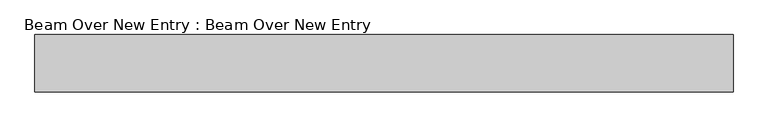
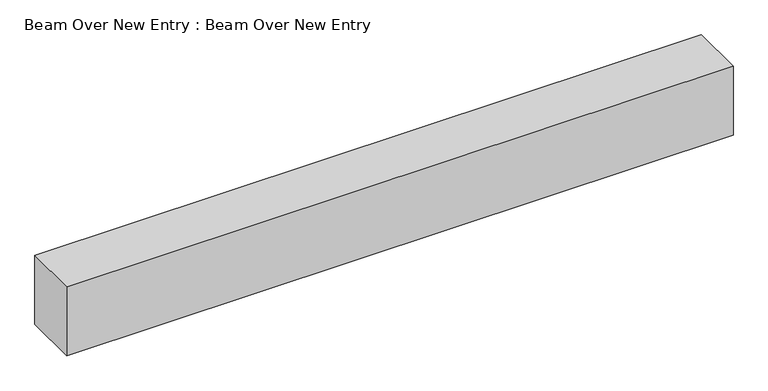
"""IFC4 building model written with IfcOpenShell, lengths in millimetres: proxy geometry, Beam Over New Entry : Beam Over New Entry."""

import ifcopenshell
import ifcopenshell.guid

model = None  # the IFC model being written
_history = None  # IfcOwnerHistory: only IFC2X3 demands one
_inside = {}  # id of a spatial element -> (the spatial element, [elements in it])
_under = {}  # id of a project, library or spatial element -> (it, [spatial elements below it])
_declared = {}  # id of a project -> (the project, [libraries it declares])
_typed = {}  # id of a type object -> (the type object, [elements of that type])
_made_of = {}  # id of a material, layer set ... -> (it, [elements and type objects made of it])


def new_model(schema):
    """Start an empty IFC model of exactly this schema.

    Asked for "IFC4X3", IfcOpenShell would pick the latest addendum, in which some entities
    have other attributes; the version numbers below select the first issue.
    IFC2X3 requires an IfcOwnerHistory on every rooted entity: one is made here for all.
    """
    global model, _history
    if schema == "IFC4X3":
        model = ifcopenshell.file(schema_version=(4, 3, 0, 0))
    else:
        model = ifcopenshell.file(schema=schema)
    _inside.clear()
    _under.clear()
    _declared.clear()
    _typed.clear()
    _made_of.clear()
    _history = None
    if model.schema == "IFC2X3":
        org = make("IfcOrganization", Name="unknown")
        user = make(
            "IfcPersonAndOrganization",
            ThePerson=make("IfcPerson", FamilyName="unknown"),
            TheOrganization=org,
        )
        app = make(
            "IfcApplication",
            ApplicationDeveloper=org,
            Version="unknown",
            ApplicationFullName="unknown",
            ApplicationIdentifier="unknown",
        )
        _history = make(
            "IfcOwnerHistory",
            OwningUser=user,
            OwningApplication=app,
            ChangeAction="ADDED",
            CreationDate=0,
        )
    return model


def make(cls, **values):
    """One entity of the class cls with the attributes given. An attribute that is None is left unset."""
    return model.create_entity(
        cls, **{name: value for name, value in values.items() if value is not None}
    )


def rooted(cls, **values):
    """An entity with a GlobalId (a new one), such as an element, a storey or a relation."""
    return make(cls, GlobalId=ifcopenshell.guid.new(), OwnerHistory=_history, **values)


def si_unit(unit_type, name, prefix=None):
    """IfcSIUnit, for example si_unit("LENGTHUNIT", "METRE", prefix="MILLI")."""
    return make("IfcSIUnit", UnitType=unit_type, Prefix=prefix, Name=name)


def assignment(units):
    """IfcUnitAssignment: the units of a project."""
    return None if units is None else make("IfcUnitAssignment", Units=units)


def point(xyz):
    """IfcCartesianPoint."""
    return None if xyz is None else make("IfcCartesianPoint", Coordinates=xyz)


def direction(xyz):
    """IfcDirection."""
    return None if xyz is None else make("IfcDirection", DirectionRatios=xyz)


def frame(location, z_axis=None, x_axis=None):
    """IfcAxis2Placement3D, a coordinate frame: its origin and axes. An axis left out is left unset."""
    return make(
        "IfcAxis2Placement3D",
        Location=point(location),
        Axis=direction(z_axis),
        RefDirection=direction(x_axis),
    )


def origin():
    """The frame at (0, 0, 0) with its axes left unset."""
    return frame((0.0, 0.0, 0.0))


def place(relative_to, where):
    """IfcLocalPlacement: puts the frame where relative to a parent placement (None: the world)."""
    return make(
        "IfcLocalPlacement", PlacementRelTo=relative_to, RelativePlacement=where
    )


def context(
    kind, dimensions, precision=None, world=None, true_north=None, identifier=None
):
    """IfcGeometricRepresentationContext, for example the 3D "Model" context."""
    return make(
        "IfcGeometricRepresentationContext",
        ContextIdentifier=identifier,
        ContextType=kind,
        CoordinateSpaceDimension=dimensions,
        Precision=precision,
        WorldCoordinateSystem=world,
        TrueNorth=true_north,
    )


def project(units=None, contexts=None):
    """IfcProject with its units and contexts."""
    return rooted(
        "IfcProject",
        Name="project",
        RepresentationContexts=contexts,
        UnitsInContext=assignment(units),
    )


def spatial(cls, under=None, at=None, **own):
    """A site, building, storey or space (cls), placed at a placement, below another one or the project."""
    s = rooted(cls, ObjectPlacement=at, **own)
    if under is not None:
        _under.setdefault(under.id(), (under, []))[1].append(s)
    return s


def polyline(points):
    """IfcPolyline through the points."""
    return make("IfcPolyline", Points=[point(p) for p in points])


def outline(outer, holes=None, kind="AREA"):
    """IfcArbitraryClosedProfileDef: a profile drawn as a closed curve; with holes, ...WithVoids."""
    if holes is None:
        return make("IfcArbitraryClosedProfileDef", ProfileType=kind, OuterCurve=outer)
    return make(
        "IfcArbitraryProfileDefWithVoids",
        ProfileType=kind,
        OuterCurve=outer,
        InnerCurves=holes,
    )


def extrude(swept, where, along, depth):
    """IfcExtrudedAreaSolid: the profile swept, set in the frame where, extruded along a direction by depth."""
    return make(
        "IfcExtrudedAreaSolid",
        SweptArea=swept,
        Position=where,
        ExtrudedDirection=direction(along),
        Depth=depth,
    )


def shape(context_of_items, identifier, shape_type, items):
    """IfcShapeRepresentation: the items that make up one representation, for example the "Body"."""
    return make(
        "IfcShapeRepresentation",
        ContextOfItems=context_of_items,
        RepresentationIdentifier=identifier,
        RepresentationType=shape_type,
        Items=items,
    )


def source(mapping_origin, context_of_items, identifier, shape_type, items):
    """IfcRepresentationMap: a shape defined once, which mapped items show again and again."""
    return make(
        "IfcRepresentationMap",
        MappingOrigin=mapping_origin,
        MappedRepresentation=shape(context_of_items, identifier, shape_type, items),
    )


def transform(
    local_origin,
    x_axis=None,
    y_axis=None,
    z_axis=None,
    scale=None,
    scale2=None,
    scale3=None,
    uniform=True,
):
    """IfcCartesianTransformationOperator3D, or its non-uniform kind. x_axis, y_axis, z_axis: its Axis1, 2, 3."""
    if uniform:
        return make(
            "IfcCartesianTransformationOperator3D",
            Axis1=direction(x_axis),
            Axis2=direction(y_axis),
            LocalOrigin=point(local_origin),
            Scale=scale,
            Axis3=direction(z_axis),
        )
    return make(
        "IfcCartesianTransformationOperator3DnonUniform",
        Axis1=direction(x_axis),
        Axis2=direction(y_axis),
        LocalOrigin=point(local_origin),
        Scale=scale,
        Axis3=direction(z_axis),
        Scale2=scale2,
        Scale3=scale3,
    )


def mapped(mapping_source, mapping_target):
    """IfcMappedItem: shows the shape of a source again, moved by a transform."""
    return make(
        "IfcMappedItem", MappingSource=mapping_source, MappingTarget=mapping_target
    )


def made_of(thing, what):
    """Note that an element or type object is made of a material, layer set ...; save() writes the relation."""
    if what is not None:
        _made_of.setdefault(what.id(), (what, []))[1].append(thing)
    return thing


def element(
    cls,
    number,
    at=None,
    inside=None,
    cuts=None,
    type_object=None,
    material=None,
    context=None,
    identifier="Body",
    shape_type=None,
    held_by="IfcProductDefinitionShape",
    body=None,
    shapes=None,
    **own,
):
    """One element of the class cls, such as IfcWall. Its Tag is "e" and its number.

    at: its placement. inside: the storey or other place that contains it. cuts: it is an
    opening in that element (IfcRelVoidsElement). A single representation is given by context,
    identifier, shape_type and body (its items); several are given by shapes. held_by: the class
    of the entity that holds the representations. save() writes the other relations.
    """
    e = rooted(cls, Tag="e%d" % number, ObjectPlacement=at, **own)
    if body is not None:
        shapes = [shape(context, identifier, shape_type, body)]
    if shapes is not None:
        e.Representation = make(held_by, Representations=shapes)
    if inside is not None:
        _inside.setdefault(inside.id(), (inside, []))[1].append(e)
    if cuts is not None:
        rooted(
            "IfcRelVoidsElement", RelatingBuildingElement=cuts, RelatedOpeningElement=e
        )
    if type_object is not None:
        _typed.setdefault(type_object.id(), (type_object, []))[1].append(e)
    return made_of(e, material)


def aggregate(whole, parts):
    """IfcRelAggregates: a whole, such as a stair, and the parts it consists of."""
    return rooted("IfcRelAggregates", RelatingObject=whole, RelatedObjects=parts)


def save(model, path):
    """Write the relations noted so far, then the file.

    IfcRelAggregates (storeys below a building ...), IfcRelContainedInSpatialStructure (elements
    in a storey), IfcRelDefinesByType, IfcRelAssociatesMaterial and IfcRelDeclares: one each for
    every whole, place, type object, material and project.
    """
    for whole, parts in _under.values():
        aggregate(whole, parts)
    for where, things in _inside.values():
        rooted(
            "IfcRelContainedInSpatialStructure",
            RelatedElements=things,
            RelatingStructure=where,
        )
    for kind, things in _typed.values():
        rooted("IfcRelDefinesByType", RelatedObjects=things, RelatingType=kind)
    for what, things in _made_of.values():
        rooted("IfcRelAssociatesMaterial", RelatedObjects=things, RelatingMaterial=what)
    for by, libraries in _declared.values():
        rooted("IfcRelDeclares", RelatingContext=by, RelatedDefinitions=libraries)
    model.write(path)


def beam_over_new_entry_beam_over_new_entry_a62b2db5(model_context):
    return source(origin(), model_context, "Body", "SweptSolid", [
        extrude(outline(polyline([(227241.8728488, 159239.7096581), (227241.8728488, 158934.9096581), (223533.4728488, 158934.9096581), (223533.4728488, 159239.7096581), (227241.8728488, 159239.7096581)])), frame((0.0, 0.0, 2886.9592564), z_axis=(0.0, 0.0, 1.0), x_axis=(1.0, 0.0, 0.0)), (0.0, 0.0, 1.0), 406.4),
    ])


if __name__ == "__main__":
    model = new_model("IFC4")
    model_context = context("Model", 3, world=origin())
    ifc_project = project(units=[si_unit("LENGTHUNIT", "METRE", prefix="MILLI")], contexts=[model_context])
    site = spatial("IfcSite", under=ifc_project)
    building = spatial("IfcBuilding", under=site)
    placement = place(None, origin())
    beam_over_new_entry_beam_over_new_entry_shape = beam_over_new_entry_beam_over_new_entry_a62b2db5(model_context)
    element("IfcBuildingElementProxy", 1, Name="Beam Over New Entry : Beam Over New Entry", ObjectType="Beam Over New Entry : Beam Over New Entry", at=placement, inside=building, context=model_context, shape_type="MappedRepresentation", body=[
        mapped(beam_over_new_entry_beam_over_new_entry_shape, transform((0.0, 0.0, 0.0), x_axis=(1.0, 0.0, 0.0), y_axis=(0.0, 1.0, 0.0), z_axis=(0.0, 0.0, 1.0))),
    ])
    save(model, "model.ifc")
